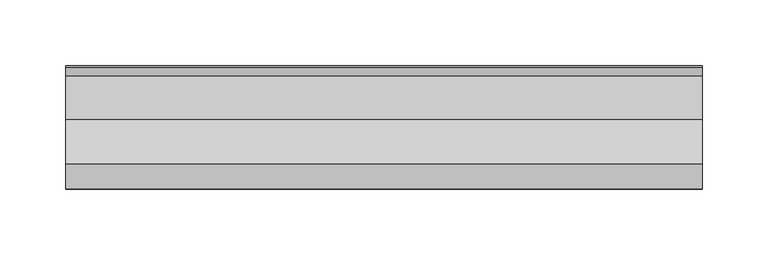
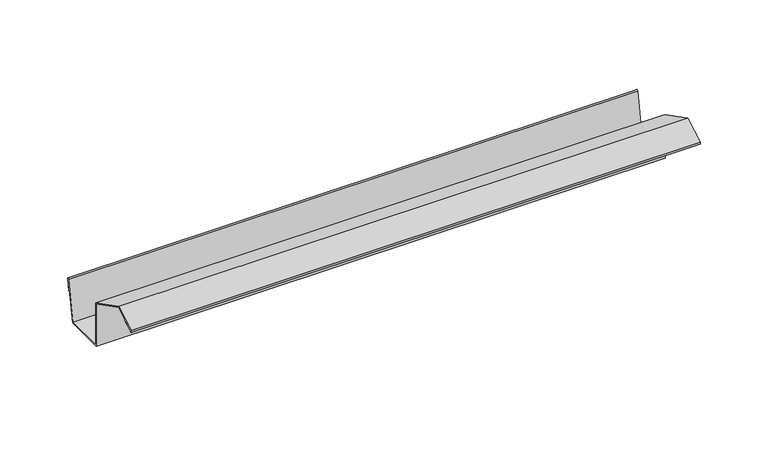
"""IFC4 building model written with IfcOpenShell, lengths in millimetres: proxy geometry."""

import ifcopenshell
import ifcopenshell.guid

model = None  # the IFC model being written
_history = None  # IfcOwnerHistory: only IFC2X3 demands one
_inside = {}  # id of a spatial element -> (the spatial element, [elements in it])
_under = {}  # id of a project, library or spatial element -> (it, [spatial elements below it])
_declared = {}  # id of a project -> (the project, [libraries it declares])
_typed = {}  # id of a type object -> (the type object, [elements of that type])
_made_of = {}  # id of a material, layer set ... -> (it, [elements and type objects made of it])


def new_model(schema):
    """Start an empty IFC model of exactly this schema.

    Asked for "IFC4X3", IfcOpenShell would pick the latest addendum, in which some entities
    have other attributes; the version numbers below select the first issue.
    IFC2X3 requires an IfcOwnerHistory on every rooted entity: one is made here for all.
    """
    global model, _history
    if schema == "IFC4X3":
        model = ifcopenshell.file(schema_version=(4, 3, 0, 0))
    else:
        model = ifcopenshell.file(schema=schema)
    _inside.clear()
    _under.clear()
    _declared.clear()
    _typed.clear()
    _made_of.clear()
    _history = None
    if model.schema == "IFC2X3":
        org = make("IfcOrganization", Name="unknown")
        user = make(
            "IfcPersonAndOrganization",
            ThePerson=make("IfcPerson", FamilyName="unknown"),
            TheOrganization=org,
        )
        app = make(
            "IfcApplication",
            ApplicationDeveloper=org,
            Version="unknown",
            ApplicationFullName="unknown",
            ApplicationIdentifier="unknown",
        )
        _history = make(
            "IfcOwnerHistory",
            OwningUser=user,
            OwningApplication=app,
            ChangeAction="ADDED",
            CreationDate=0,
        )
    return model


def make(cls, **values):
    """One entity of the class cls with the attributes given. An attribute that is None is left unset."""
    return model.create_entity(
        cls, **{name: value for name, value in values.items() if value is not None}
    )


def rooted(cls, **values):
    """An entity with a GlobalId (a new one), such as an element, a storey or a relation."""
    return make(cls, GlobalId=ifcopenshell.guid.new(), OwnerHistory=_history, **values)


def si_unit(unit_type, name, prefix=None):
    """IfcSIUnit, for example si_unit("LENGTHUNIT", "METRE", prefix="MILLI")."""
    return make("IfcSIUnit", UnitType=unit_type, Prefix=prefix, Name=name)


def assignment(units):
    """IfcUnitAssignment: the units of a project."""
    return None if units is None else make("IfcUnitAssignment", Units=units)


def point(xyz):
    """IfcCartesianPoint."""
    return None if xyz is None else make("IfcCartesianPoint", Coordinates=xyz)


def direction(xyz):
    """IfcDirection."""
    return None if xyz is None else make("IfcDirection", DirectionRatios=xyz)


def frame(location, z_axis=None, x_axis=None):
    """IfcAxis2Placement3D, a coordinate frame: its origin and axes. An axis left out is left unset."""
    return make(
        "IfcAxis2Placement3D",
        Location=point(location),
        Axis=direction(z_axis),
        RefDirection=direction(x_axis),
    )


def frame_2d(location, x_axis=None):
    """IfcAxis2Placement2D, a coordinate frame in the plane: its origin and x axis."""
    return make(
        "IfcAxis2Placement2D", Location=point(location), RefDirection=direction(x_axis)
    )


def origin():
    """The frame at (0, 0, 0) with its axes left unset."""
    return frame((0.0, 0.0, 0.0))


def place(relative_to, where):
    """IfcLocalPlacement: puts the frame where relative to a parent placement (None: the world)."""
    return make(
        "IfcLocalPlacement", PlacementRelTo=relative_to, RelativePlacement=where
    )


def context(
    kind, dimensions, precision=None, world=None, true_north=None, identifier=None
):
    """IfcGeometricRepresentationContext, for example the 3D "Model" context."""
    return make(
        "IfcGeometricRepresentationContext",
        ContextIdentifier=identifier,
        ContextType=kind,
        CoordinateSpaceDimension=dimensions,
        Precision=precision,
        WorldCoordinateSystem=world,
        TrueNorth=true_north,
    )


def project(units=None, contexts=None):
    """IfcProject with its units and contexts."""
    return rooted(
        "IfcProject",
        Name="project",
        RepresentationContexts=contexts,
        UnitsInContext=assignment(units),
    )


def spatial(cls, under=None, at=None, **own):
    """A site, building, storey or space (cls), placed at a placement, below another one or the project."""
    s = rooted(cls, ObjectPlacement=at, **own)
    if under is not None:
        _under.setdefault(under.id(), (under, []))[1].append(s)
    return s


def polyline(points):
    """IfcPolyline through the points."""
    return make("IfcPolyline", Points=[point(p) for p in points])


def circle_curve(where, radius):
    """IfcCircle in the frame where."""
    return make("IfcCircle", Position=where, Radius=radius)


def trimmed(basis, trim1, trim2, sense, master):
    """IfcTrimmedCurve: the piece of a basis curve between two trims."""
    return make(
        "IfcTrimmedCurve",
        BasisCurve=basis,
        Trim1=trim1,
        Trim2=trim2,
        SenseAgreement=sense,
        MasterRepresentation=master,
    )


def segment(curve, same_sense, transition):
    """IfcCompositeCurveSegment."""
    return make(
        "IfcCompositeCurveSegment",
        Transition=transition,
        SameSense=same_sense,
        ParentCurve=curve,
    )


def composite_curve(segments, self_intersect=None):
    """IfcCompositeCurve: segments joined end to end."""
    return make("IfcCompositeCurve", Segments=segments, SelfIntersect=self_intersect)


def outline(outer, holes=None, kind="AREA"):
    """IfcArbitraryClosedProfileDef: a profile drawn as a closed curve; with holes, ...WithVoids."""
    if holes is None:
        return make("IfcArbitraryClosedProfileDef", ProfileType=kind, OuterCurve=outer)
    return make(
        "IfcArbitraryProfileDefWithVoids",
        ProfileType=kind,
        OuterCurve=outer,
        InnerCurves=holes,
    )


def extrude(swept, where, along, depth):
    """IfcExtrudedAreaSolid: the profile swept, set in the frame where, extruded along a direction by depth."""
    return make(
        "IfcExtrudedAreaSolid",
        SweptArea=swept,
        Position=where,
        ExtrudedDirection=direction(along),
        Depth=depth,
    )


def shape(context_of_items, identifier, shape_type, items):
    """IfcShapeRepresentation: the items that make up one representation, for example the "Body"."""
    return make(
        "IfcShapeRepresentation",
        ContextOfItems=context_of_items,
        RepresentationIdentifier=identifier,
        RepresentationType=shape_type,
        Items=items,
    )


def source(mapping_origin, context_of_items, identifier, shape_type, items):
    """IfcRepresentationMap: a shape defined once, which mapped items show again and again."""
    return make(
        "IfcRepresentationMap",
        MappingOrigin=mapping_origin,
        MappedRepresentation=shape(context_of_items, identifier, shape_type, items),
    )


def transform(
    local_origin,
    x_axis=None,
    y_axis=None,
    z_axis=None,
    scale=None,
    scale2=None,
    scale3=None,
    uniform=True,
):
    """IfcCartesianTransformationOperator3D, or its non-uniform kind. x_axis, y_axis, z_axis: its Axis1, 2, 3."""
    if uniform:
        return make(
            "IfcCartesianTransformationOperator3D",
            Axis1=direction(x_axis),
            Axis2=direction(y_axis),
            LocalOrigin=point(local_origin),
            Scale=scale,
            Axis3=direction(z_axis),
        )
    return make(
        "IfcCartesianTransformationOperator3DnonUniform",
        Axis1=direction(x_axis),
        Axis2=direction(y_axis),
        LocalOrigin=point(local_origin),
        Scale=scale,
        Axis3=direction(z_axis),
        Scale2=scale2,
        Scale3=scale3,
    )


def mapped(mapping_source, mapping_target):
    """IfcMappedItem: shows the shape of a source again, moved by a transform."""
    return make(
        "IfcMappedItem", MappingSource=mapping_source, MappingTarget=mapping_target
    )


def made_of(thing, what):
    """Note that an element or type object is made of a material, layer set ...; save() writes the relation."""
    if what is not None:
        _made_of.setdefault(what.id(), (what, []))[1].append(thing)
    return thing


def element(
    cls,
    number,
    at=None,
    inside=None,
    cuts=None,
    type_object=None,
    material=None,
    context=None,
    identifier="Body",
    shape_type=None,
    held_by="IfcProductDefinitionShape",
    body=None,
    shapes=None,
    **own,
):
    """One element of the class cls, such as IfcWall. Its Tag is "e" and its number.

    at: its placement. inside: the storey or other place that contains it. cuts: it is an
    opening in that element (IfcRelVoidsElement). A single representation is given by context,
    identifier, shape_type and body (its items); several are given by shapes. held_by: the class
    of the entity that holds the representations. save() writes the other relations.
    """
    e = rooted(cls, Tag="e%d" % number, ObjectPlacement=at, **own)
    if body is not None:
        shapes = [shape(context, identifier, shape_type, body)]
    if shapes is not None:
        e.Representation = make(held_by, Representations=shapes)
    if inside is not None:
        _inside.setdefault(inside.id(), (inside, []))[1].append(e)
    if cuts is not None:
        rooted(
            "IfcRelVoidsElement", RelatingBuildingElement=cuts, RelatedOpeningElement=e
        )
    if type_object is not None:
        _typed.setdefault(type_object.id(), (type_object, []))[1].append(e)
    return made_of(e, material)


def aggregate(whole, parts):
    """IfcRelAggregates: a whole, such as a stair, and the parts it consists of."""
    return rooted("IfcRelAggregates", RelatingObject=whole, RelatedObjects=parts)


def save(model, path):
    """Write the relations noted so far, then the file.

    IfcRelAggregates (storeys below a building ...), IfcRelContainedInSpatialStructure (elements
    in a storey), IfcRelDefinesByType, IfcRelAssociatesMaterial and IfcRelDeclares: one each for
    every whole, place, type object, material and project.
    """
    for whole, parts in _under.values():
        aggregate(whole, parts)
    for where, things in _inside.values():
        rooted(
            "IfcRelContainedInSpatialStructure",
            RelatedElements=things,
            RelatingStructure=where,
        )
    for kind, things in _typed.values():
        rooted("IfcRelDefinesByType", RelatedObjects=things, RelatingType=kind)
    for what, things in _made_of.values():
        rooted("IfcRelAssociatesMaterial", RelatedObjects=things, RelatingMaterial=what)
    for by, libraries in _declared.values():
        rooted("IfcRelDeclares", RelatingContext=by, RelatedDefinitions=libraries)
    model.write(path)


def generic_models_24c91a63(model_context):
    return source(origin(), model_context, "Body", "SweptSolid", [
        extrude(outline(composite_curve([segment(polyline([(0.4375, 45.4538149), (18.8594641, 56.0897408), (52.8432394, 38.7246617), (52.8432394, 0.7379399), (86.277359, 0.7379399), (92.4558393, 35.7778431)]), True, "CONTINUOUS"), segment(trimmed(circle_curve(frame_2d((93.2683048, 35.6345835)), 0.8249991), [point((92.4558393, 35.7778431))], [point((94.0807704, 35.4913239))], False, "CARTESIAN"), True, "CONTINUOUS"), segment(polyline([(94.0807704, 35.4913239), (92.3441439, 25.6424257), (91.5562977, 25.7813442), (93.2927795, 35.6294218), (86.8459573, -0.0620601), (52.0432394, -0.0620601), (52.0432394, 38.2350564), (18.8836738, 55.1789798), (0.9376935, 44.7609946), (9.583234, 49.6369335), (9.972754, 48.9382704), (1.3125, 43.9382704)]), True, "CONTINUOUS"), segment(trimmed(circle_curve(frame_2d((0.875, 44.6960426)), 0.875), [point((1.3125, 43.9382704))], [point((0.4375, 45.4538149))], False, "CARTESIAN"), True, "CONTINUOUS")], self_intersect=False)), frame((0.0, 0.0, 0.0), z_axis=(1.0, 0.0, 0.0), x_axis=(0.0, 1.0, 0.0)), (0.0, 0.0, 1.0), 485.1477558),
    ])


if __name__ == "__main__":
    model = new_model("IFC4")
    model_context = context("Model", 3, world=origin())
    ifc_project = project(units=[si_unit("LENGTHUNIT", "METRE", prefix="MILLI")], contexts=[model_context])
    site = spatial("IfcSite", under=ifc_project)
    building = spatial("IfcBuilding", under=site)
    placement = place(None, origin())
    generic_models_shape = generic_models_24c91a63(model_context)
    element("IfcBuildingElementProxy", 1, Name="Generic Models", at=placement, inside=building, context=model_context, shape_type="MappedRepresentation", body=[
        mapped(generic_models_shape, transform((0.0, 0.0, 0.0), x_axis=(1.0, 0.0, 0.0), y_axis=(0.0, 1.0, 0.0), z_axis=(0.0, 0.0, 1.0))),
    ])
    save(model, "model.ifc")
